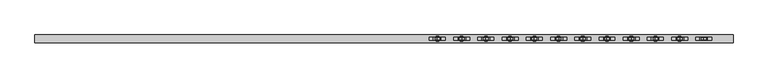
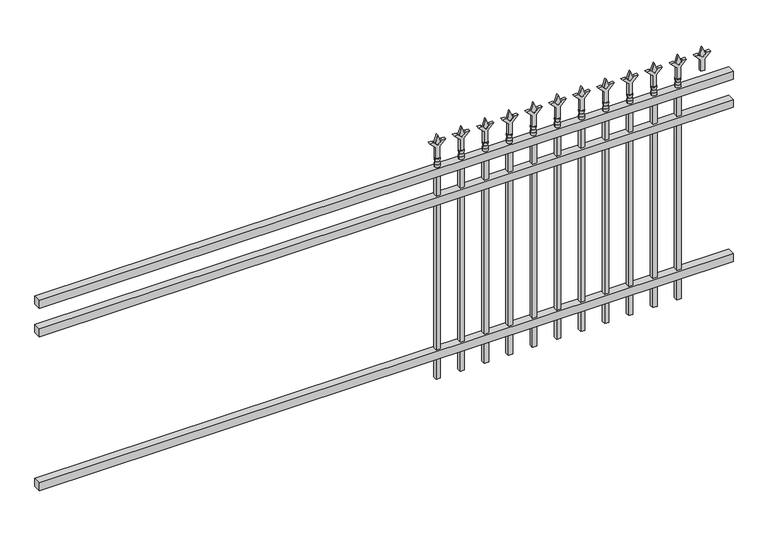
"""IFC4 building model written with IfcOpenShell, lengths in millimetres: railing geometry."""

from ifc_helpers import new_model, si_unit, frame, origin, place, context, project, spatial, polyline, circle_curve, outline, extrude, source, transform, mapped, element, save
from ifc_brep_helpers import plane_surface, cylinder_surface, revolved_surface, advanced_brep


def railing_7c6b006e(model_context):
    return source(origin(), model_context, "Body", "SolidModel", [
        extrude(outline(polyline([(-79633.318087, -652.7195174), (-79633.318087, -617.7945174), (-76483.718087, -617.7945174), (-76483.718087, -652.7195174), (-79633.318087, -652.7195174)])), frame((0.0, 0.0, 1028.7), z_axis=(0.0, 0.0, 1.0), x_axis=(1.0, 0.0, 0.0)), (0.0, 0.0, 1.0), 38.1),
        extrude(outline(polyline([(-79633.318087, -652.7195174), (-79633.318087, -617.7945174), (-76483.718087, -617.7945174), (-76483.718087, -652.7195174), (-79633.318087, -652.7195174)])), frame((0.0, 0.0, 892.175), z_axis=(0.0, 0.0, 1.0), x_axis=(1.0, 0.0, 0.0)), (0.0, 0.0, 1.0), 38.1),
        extrude(outline(polyline([(-79633.318087, -652.7195174), (-79633.318087, -617.7945174), (-76483.718087, -617.7945174), (-76483.718087, -652.7195174), (-79633.318087, -652.7195174)])), frame((0.0, 0.0, 152.4), z_axis=(0.0, 0.0, 1.0), x_axis=(1.0, 0.0, 0.0)), (0.0, 0.0, 1.0), 38.1),
        extrude(outline(polyline([(1183.48125, -76712.8472536), (1219.2, -76724.7535036), (1183.48125, -76736.6597536), (1171.575, -76724.7535036), (1183.48125, -76712.8472536)])), frame((0.0, -640.0195174, 0.0), z_axis=(0.0, 1.0, 0.0), x_axis=(0.0, 0.0, 1.0)), (0.0, 0.0, 1.0), 9.525),
        extrude(outline(polyline([(1108.075, -76716.0222536), (1162.3457378, -76716.0222536), (1189.5355122, -76688.8324791), (1189.5355122, -76706.7929914), (1171.575, -76724.7535036), (1189.5355122, -76742.7140159), (1189.5355122, -76760.6745281), (1162.3457378, -76733.4847536), (1108.075, -76733.4847536), (1108.075, -76716.0222536)])), frame((0.0, -641.6070174, 0.0), z_axis=(0.0, 1.0, 0.0), x_axis=(0.0, 0.0, 1.0)), (0.0, 0.0, 1.0), 12.7),
        advanced_brep(
        [(-76712.8472536, -635.2570174, 1079.5), (-76736.6597536, -635.2570174, 1079.5), (-76736.6597536, -635.2570174, 1066.8), (-76712.8472536, -635.2570174, 1066.8), (-76715.0525855, -635.2570174, 1092.0070585), (-76734.4544218, -635.2570174, 1092.0070585), (-76712.8472536, -635.2570174, 1108.075), (-76736.6597536, -635.2570174, 1108.075), (-76724.7535036, -635.2570174, 1108.075), (-76724.7535036, -635.2570174, 1066.8)],
        [
            (0, 1, circle_curve(frame((-76724.7535036, -635.2570174, 1079.5), z_axis=(0.0, 0.0, -1.0), x_axis=(-1.0, 0.0, 0.0)), 11.90625)),
            (1, 2),
            (2, 3, circle_curve(frame((-76724.7535036, -635.2570174, 1066.8), z_axis=(0.0, 0.0, 1.0), x_axis=(-1.0, 0.0, 0.0)), 11.90625)),
            (3, 0),
            (1, 0, circle_curve(frame((-76724.7535036, -635.2570174, 1079.5), z_axis=(0.0, 0.0, -1.0), x_axis=(-1.0, 0.0, 0.0)), 11.90625)),
            (3, 2, circle_curve(frame((-76724.7535036, -635.2570174, 1066.8), z_axis=(0.0, 0.0, 1.0), x_axis=(-1.0, 0.0, 0.0)), 11.90625)),
            (4, 5, circle_curve(frame((-76724.7535036, -635.2570174, 1092.0070585), z_axis=(0.0, 0.0, -1.0), x_axis=(-1.0, 0.0, 0.0)), 9.7009181)),
            (5, 1),
            (0, 4),
            (5, 4, circle_curve(frame((-76724.7535036, -635.2570174, 1092.0070585), z_axis=(0.0, 0.0, -1.0), x_axis=(-1.0, 0.0, 0.0)), 9.7009181)),
            (6, 7, circle_curve(frame((-76724.7535036, -635.2570174, 1108.075), z_axis=(0.0, 0.0, -1.0), x_axis=(-1.0, 0.0, 0.0)), 11.90625)),
            (7, 5),
            (4, 6),
            (7, 6, circle_curve(frame((-76724.7535036, -635.2570174, 1108.075), z_axis=(0.0, 0.0, -1.0), x_axis=(-1.0, 0.0, 0.0)), 11.90625)),
            (8, 7),
            (6, 8),
            (2, 9),
            (9, 3),
        ],
        [
            cylinder_surface(frame((-76724.7535036, -635.2570174, 1066.8), z_axis=(0.0, 0.0, 1.0), x_axis=(-1.0, 0.0, 0.0)), 11.90625),
            revolved_surface(polyline([(-76736.6597536, -635.2570174, 1079.5), (-76734.4544218, -635.2570174, 1092.0070585)]), (-76724.7535036, -635.2570174, 1066.8), (0.0, 0.0, 1.0)),
            revolved_surface(polyline([(-76734.4544218, -635.2570174, 1092.0070585), (-76736.6597536, -635.2570174, 1108.075)]), (-76724.7535036, -635.2570174, 1066.8), (0.0, 0.0, 1.0)),
            plane_surface(frame((-76724.7535036, -635.2570174, 1108.075), z_axis=(0.0, 0.0, 1.0), x_axis=(-1.0, 0.0, 0.0))),
            plane_surface(frame((-76724.7535036, -635.2570174, 1066.8), z_axis=(0.0, 0.0, -1.0), x_axis=(-1.0, 0.0, 0.0))),
        ],
        [
            (0, [[1, 2, 3, 4]]),
            (0, [[5, -4, 6, -2]]),
            (1, [[7, 8, -1, 9]]),
            (1, [[10, -9, -5, -8]]),
            (2, [[11, 12, -7, 13]]),
            (2, [[14, -13, -10, -12]]),
            (3, [[15, -11, 16]]),
            (3, [[-16, -14, -15]]),
            (4, [[-3, 17, 18]]),
            (4, [[-6, -18, -17]]),
        ],
    ),
        extrude(outline(polyline([(-76734.2785036, -625.7320174), (-76715.2285036, -625.7320174), (-76715.2285036, -644.7820174), (-76734.2785036, -644.7820174), (-76734.2785036, -625.7320174)])), frame((0.0, 0.0, 50.8), z_axis=(0.0, 0.0, 1.0), x_axis=(1.0, 0.0, 0.0)), (0.0, 0.0, 1.0), 1016.0),
        extrude(outline(polyline([(1183.48125, -76822.1201703), (1219.2, -76834.0264203), (1183.48125, -76845.9326703), (1171.575, -76834.0264203), (1183.48125, -76822.1201703)])), frame((0.0, -640.0195174, 0.0), z_axis=(0.0, 1.0, 0.0), x_axis=(0.0, 0.0, 1.0)), (0.0, 0.0, 1.0), 9.525),
        extrude(outline(polyline([(1108.075, -76825.2951703), (1162.3457378, -76825.2951703), (1189.5355122, -76798.1053958), (1189.5355122, -76816.0659081), (1171.575, -76834.0264203), (1189.5355122, -76851.9869325), (1189.5355122, -76869.9474448), (1162.3457378, -76842.7576703), (1108.075, -76842.7576703), (1108.075, -76825.2951703)])), frame((0.0, -641.6070174, 0.0), z_axis=(0.0, 1.0, 0.0), x_axis=(0.0, 0.0, 1.0)), (0.0, 0.0, 1.0), 12.7),
        advanced_brep(
        [(-76822.1201703, -635.2570174, 1079.5), (-76845.9326703, -635.2570174, 1079.5), (-76845.9326703, -635.2570174, 1066.8), (-76822.1201703, -635.2570174, 1066.8), (-76824.3255022, -635.2570174, 1092.0070585), (-76843.7273384, -635.2570174, 1092.0070585), (-76822.1201703, -635.2570174, 1108.075), (-76845.9326703, -635.2570174, 1108.075), (-76834.0264203, -635.2570174, 1108.075), (-76834.0264203, -635.2570174, 1066.8)],
        [
            (0, 1, circle_curve(frame((-76834.0264203, -635.2570174, 1079.5), z_axis=(0.0, 0.0, -1.0), x_axis=(-1.0, 0.0, 0.0)), 11.90625)),
            (1, 2),
            (2, 3, circle_curve(frame((-76834.0264203, -635.2570174, 1066.8), z_axis=(0.0, 0.0, 1.0), x_axis=(-1.0, 0.0, 0.0)), 11.90625)),
            (3, 0),
            (1, 0, circle_curve(frame((-76834.0264203, -635.2570174, 1079.5), z_axis=(0.0, 0.0, -1.0), x_axis=(-1.0, 0.0, 0.0)), 11.90625)),
            (3, 2, circle_curve(frame((-76834.0264203, -635.2570174, 1066.8), z_axis=(0.0, 0.0, 1.0), x_axis=(-1.0, 0.0, 0.0)), 11.90625)),
            (4, 5, circle_curve(frame((-76834.0264203, -635.2570174, 1092.0070585), z_axis=(0.0, 0.0, -1.0), x_axis=(-1.0, 0.0, 0.0)), 9.7009181)),
            (5, 1),
            (0, 4),
            (5, 4, circle_curve(frame((-76834.0264203, -635.2570174, 1092.0070585), z_axis=(0.0, 0.0, -1.0), x_axis=(-1.0, 0.0, 0.0)), 9.7009181)),
            (6, 7, circle_curve(frame((-76834.0264203, -635.2570174, 1108.075), z_axis=(0.0, 0.0, -1.0), x_axis=(-1.0, 0.0, 0.0)), 11.90625)),
            (7, 5),
            (4, 6),
            (7, 6, circle_curve(frame((-76834.0264203, -635.2570174, 1108.075), z_axis=(0.0, 0.0, -1.0), x_axis=(-1.0, 0.0, 0.0)), 11.90625)),
            (8, 7),
            (6, 8),
            (2, 9),
            (9, 3),
        ],
        [
            cylinder_surface(frame((-76834.0264203, -635.2570174, 1066.8), z_axis=(0.0, 0.0, 1.0), x_axis=(-1.0, 0.0, 0.0)), 11.90625),
            revolved_surface(polyline([(-76845.9326703, -635.2570174, 1079.5), (-76843.7273384, -635.2570174, 1092.0070585)]), (-76834.0264203, -635.2570174, 1066.8), (0.0, 0.0, 1.0)),
            revolved_surface(polyline([(-76843.7273384, -635.2570174, 1092.0070585), (-76845.9326703, -635.2570174, 1108.075)]), (-76834.0264203, -635.2570174, 1066.8), (0.0, 0.0, 1.0)),
            plane_surface(frame((-76834.0264203, -635.2570174, 1108.075), z_axis=(0.0, 0.0, 1.0), x_axis=(-1.0, 0.0, 0.0))),
            plane_surface(frame((-76834.0264203, -635.2570174, 1066.8), z_axis=(0.0, 0.0, -1.0), x_axis=(-1.0, 0.0, 0.0))),
        ],
        [
            (0, [[1, 2, 3, 4]]),
            (0, [[5, -4, 6, -2]]),
            (1, [[7, 8, -1, 9]]),
            (1, [[10, -9, -5, -8]]),
            (2, [[11, 12, -7, 13]]),
            (2, [[14, -13, -10, -12]]),
            (3, [[15, -11, 16]]),
            (3, [[-16, -14, -15]]),
            (4, [[-3, 17, 18]]),
            (4, [[-6, -18, -17]]),
        ],
    ),
        extrude(outline(polyline([(-76843.5514203, -625.7320174), (-76824.5014203, -625.7320174), (-76824.5014203, -644.7820174), (-76843.5514203, -644.7820174), (-76843.5514203, -625.7320174)])), frame((0.0, 0.0, 50.8), z_axis=(0.0, 0.0, 1.0), x_axis=(1.0, 0.0, 0.0)), (0.0, 0.0, 1.0), 1016.0),
        extrude(outline(polyline([(1183.48125, -76931.393087), (1219.2, -76943.299337), (1183.48125, -76955.205587), (1171.575, -76943.299337), (1183.48125, -76931.393087)])), frame((0.0, -640.0195174, 0.0), z_axis=(0.0, 1.0, 0.0), x_axis=(0.0, 0.0, 1.0)), (0.0, 0.0, 1.0), 9.525),
        extrude(outline(polyline([(1108.075, -76934.568087), (1162.3457378, -76934.568087), (1189.5355122, -76907.3783125), (1189.5355122, -76925.3388247), (1171.575, -76943.299337), (1189.5355122, -76961.2598492), (1189.5355122, -76979.2203614), (1162.3457378, -76952.030587), (1108.075, -76952.030587), (1108.075, -76934.568087)])), frame((0.0, -641.6070174, 0.0), z_axis=(0.0, 1.0, 0.0), x_axis=(0.0, 0.0, 1.0)), (0.0, 0.0, 1.0), 12.7),
        advanced_brep(
        [(-76931.393087, -635.2570174, 1079.5), (-76955.205587, -635.2570174, 1079.5), (-76955.205587, -635.2570174, 1066.8), (-76931.393087, -635.2570174, 1066.8), (-76933.5984188, -635.2570174, 1092.0070585), (-76953.0002551, -635.2570174, 1092.0070585), (-76931.393087, -635.2570174, 1108.075), (-76955.205587, -635.2570174, 1108.075), (-76943.299337, -635.2570174, 1108.075), (-76943.299337, -635.2570174, 1066.8)],
        [
            (0, 1, circle_curve(frame((-76943.299337, -635.2570174, 1079.5), z_axis=(0.0, 0.0, -1.0), x_axis=(-1.0, 0.0, 0.0)), 11.90625)),
            (1, 2),
            (2, 3, circle_curve(frame((-76943.299337, -635.2570174, 1066.8), z_axis=(0.0, 0.0, 1.0), x_axis=(-1.0, 0.0, 0.0)), 11.90625)),
            (3, 0),
            (1, 0, circle_curve(frame((-76943.299337, -635.2570174, 1079.5), z_axis=(0.0, 0.0, -1.0), x_axis=(-1.0, 0.0, 0.0)), 11.90625)),
            (3, 2, circle_curve(frame((-76943.299337, -635.2570174, 1066.8), z_axis=(0.0, 0.0, 1.0), x_axis=(-1.0, 0.0, 0.0)), 11.90625)),
            (4, 5, circle_curve(frame((-76943.299337, -635.2570174, 1092.0070585), z_axis=(0.0, 0.0, -1.0), x_axis=(-1.0, 0.0, 0.0)), 9.7009181)),
            (5, 1),
            (0, 4),
            (5, 4, circle_curve(frame((-76943.299337, -635.2570174, 1092.0070585), z_axis=(0.0, 0.0, -1.0), x_axis=(-1.0, 0.0, 0.0)), 9.7009181)),
            (6, 7, circle_curve(frame((-76943.299337, -635.2570174, 1108.075), z_axis=(0.0, 0.0, -1.0), x_axis=(-1.0, 0.0, 0.0)), 11.90625)),
            (7, 5),
            (4, 6),
            (7, 6, circle_curve(frame((-76943.299337, -635.2570174, 1108.075), z_axis=(0.0, 0.0, -1.0), x_axis=(-1.0, 0.0, 0.0)), 11.90625)),
            (8, 7),
            (6, 8),
            (2, 9),
            (9, 3),
        ],
        [
            cylinder_surface(frame((-76943.299337, -635.2570174, 1066.8), z_axis=(0.0, 0.0, 1.0), x_axis=(-1.0, 0.0, 0.0)), 11.90625),
            revolved_surface(polyline([(-76955.205587, -635.2570174, 1079.5), (-76953.0002551, -635.2570174, 1092.0070585)]), (-76943.299337, -635.2570174, 1066.8), (0.0, 0.0, 1.0)),
            revolved_surface(polyline([(-76953.0002551, -635.2570174, 1092.0070585), (-76955.205587, -635.2570174, 1108.075)]), (-76943.299337, -635.2570174, 1066.8), (0.0, 0.0, 1.0)),
            plane_surface(frame((-76943.299337, -635.2570174, 1108.075), z_axis=(0.0, 0.0, 1.0), x_axis=(-1.0, 0.0, 0.0))),
            plane_surface(frame((-76943.299337, -635.2570174, 1066.8), z_axis=(0.0, 0.0, -1.0), x_axis=(-1.0, 0.0, 0.0))),
        ],
        [
            (0, [[1, 2, 3, 4]]),
            (0, [[5, -4, 6, -2]]),
            (1, [[7, 8, -1, 9]]),
            (1, [[10, -9, -5, -8]]),
            (2, [[11, 12, -7, 13]]),
            (2, [[14, -13, -10, -12]]),
            (3, [[15, -11, 16]]),
            (3, [[-16, -14, -15]]),
            (4, [[-3, 17, 18]]),
            (4, [[-6, -18, -17]]),
        ],
    ),
        extrude(outline(polyline([(-76952.824337, -625.7320174), (-76933.774337, -625.7320174), (-76933.774337, -644.7820174), (-76952.824337, -644.7820174), (-76952.824337, -625.7320174)])), frame((0.0, 0.0, 50.8), z_axis=(0.0, 0.0, 1.0), x_axis=(1.0, 0.0, 0.0)), (0.0, 0.0, 1.0), 1016.0),
        extrude(outline(polyline([(1183.48125, -77040.6660036), (1219.2, -77052.5722536), (1183.48125, -77064.4785036), (1171.575, -77052.5722536), (1183.48125, -77040.6660036)])), frame((0.0, -640.0195174, 0.0), z_axis=(0.0, 1.0, 0.0), x_axis=(0.0, 0.0, 1.0)), (0.0, 0.0, 1.0), 9.525),
        extrude(outline(polyline([(1108.075, -77043.8410036), (1162.3457378, -77043.8410036), (1189.5355122, -77016.6512291), (1189.5355122, -77034.6117414), (1171.575, -77052.5722536), (1189.5355122, -77070.5327659), (1189.5355122, -77088.4932781), (1162.3457378, -77061.3035036), (1108.075, -77061.3035036), (1108.075, -77043.8410036)])), frame((0.0, -641.6070174, 0.0), z_axis=(0.0, 1.0, 0.0), x_axis=(0.0, 0.0, 1.0)), (0.0, 0.0, 1.0), 12.7),
        advanced_brep(
        [(-77040.6660036, -635.2570174, 1079.5), (-77064.4785036, -635.2570174, 1079.5), (-77064.4785036, -635.2570174, 1066.8), (-77040.6660036, -635.2570174, 1066.8), (-77042.8713355, -635.2570174, 1092.0070585), (-77062.2731718, -635.2570174, 1092.0070585), (-77040.6660036, -635.2570174, 1108.075), (-77064.4785036, -635.2570174, 1108.075), (-77052.5722536, -635.2570174, 1108.075), (-77052.5722536, -635.2570174, 1066.8)],
        [
            (0, 1, circle_curve(frame((-77052.5722536, -635.2570174, 1079.5), z_axis=(0.0, 0.0, -1.0), x_axis=(-1.0, 0.0, 0.0)), 11.90625)),
            (1, 2),
            (2, 3, circle_curve(frame((-77052.5722536, -635.2570174, 1066.8), z_axis=(0.0, 0.0, 1.0), x_axis=(-1.0, 0.0, 0.0)), 11.90625)),
            (3, 0),
            (1, 0, circle_curve(frame((-77052.5722536, -635.2570174, 1079.5), z_axis=(0.0, 0.0, -1.0), x_axis=(-1.0, 0.0, 0.0)), 11.90625)),
            (3, 2, circle_curve(frame((-77052.5722536, -635.2570174, 1066.8), z_axis=(0.0, 0.0, 1.0), x_axis=(-1.0, 0.0, 0.0)), 11.90625)),
            (4, 5, circle_curve(frame((-77052.5722536, -635.2570174, 1092.0070585), z_axis=(0.0, 0.0, -1.0), x_axis=(-1.0, 0.0, 0.0)), 9.7009181)),
            (5, 1),
            (0, 4),
            (5, 4, circle_curve(frame((-77052.5722536, -635.2570174, 1092.0070585), z_axis=(0.0, 0.0, -1.0), x_axis=(-1.0, 0.0, 0.0)), 9.7009181)),
            (6, 7, circle_curve(frame((-77052.5722536, -635.2570174, 1108.075), z_axis=(0.0, 0.0, -1.0), x_axis=(-1.0, 0.0, 0.0)), 11.90625)),
            (7, 5),
            (4, 6),
            (7, 6, circle_curve(frame((-77052.5722536, -635.2570174, 1108.075), z_axis=(0.0, 0.0, -1.0), x_axis=(-1.0, 0.0, 0.0)), 11.90625)),
            (8, 7),
            (6, 8),
            (2, 9),
            (9, 3),
        ],
        [
            cylinder_surface(frame((-77052.5722536, -635.2570174, 1066.8), z_axis=(0.0, 0.0, 1.0), x_axis=(-1.0, 0.0, 0.0)), 11.90625),
            revolved_surface(polyline([(-77064.4785036, -635.2570174, 1079.5), (-77062.2731718, -635.2570174, 1092.0070585)]), (-77052.5722536, -635.2570174, 1066.8), (0.0, 0.0, 1.0)),
            revolved_surface(polyline([(-77062.2731718, -635.2570174, 1092.0070585), (-77064.4785036, -635.2570174, 1108.075)]), (-77052.5722536, -635.2570174, 1066.8), (0.0, 0.0, 1.0)),
            plane_surface(frame((-77052.5722536, -635.2570174, 1108.075), z_axis=(0.0, 0.0, 1.0), x_axis=(-1.0, 0.0, 0.0))),
            plane_surface(frame((-77052.5722536, -635.2570174, 1066.8), z_axis=(0.0, 0.0, -1.0), x_axis=(-1.0, 0.0, 0.0))),
        ],
        [
            (0, [[1, 2, 3, 4]]),
            (0, [[5, -4, 6, -2]]),
            (1, [[7, 8, -1, 9]]),
            (1, [[10, -9, -5, -8]]),
            (2, [[11, 12, -7, 13]]),
            (2, [[14, -13, -10, -12]]),
            (3, [[15, -11, 16]]),
            (3, [[-16, -14, -15]]),
            (4, [[-3, 17, 18]]),
            (4, [[-6, -18, -17]]),
        ],
    ),
        extrude(outline(polyline([(-77062.0972536, -625.7320174), (-77043.0472536, -625.7320174), (-77043.0472536, -644.7820174), (-77062.0972536, -644.7820174), (-77062.0972536, -625.7320174)])), frame((0.0, 0.0, 50.8), z_axis=(0.0, 0.0, 1.0), x_axis=(1.0, 0.0, 0.0)), (0.0, 0.0, 1.0), 1016.0),
        extrude(outline(polyline([(1183.48125, -77149.9389203), (1219.2, -77161.8451703), (1183.48125, -77173.7514203), (1171.575, -77161.8451703), (1183.48125, -77149.9389203)])), frame((0.0, -640.0195174, 0.0), z_axis=(0.0, 1.0, 0.0), x_axis=(0.0, 0.0, 1.0)), (0.0, 0.0, 1.0), 9.525),
        extrude(outline(polyline([(1108.075, -77153.1139203), (1162.3457378, -77153.1139203), (1189.5355122, -77125.9241458), (1189.5355122, -77143.8846581), (1171.575, -77161.8451703), (1189.5355122, -77179.8056825), (1189.5355122, -77197.7661948), (1162.3457378, -77170.5764203), (1108.075, -77170.5764203), (1108.075, -77153.1139203)])), frame((0.0, -641.6070174, 0.0), z_axis=(0.0, 1.0, 0.0), x_axis=(0.0, 0.0, 1.0)), (0.0, 0.0, 1.0), 12.7),
        advanced_brep(
        [(-77149.9389203, -635.2570174, 1079.5), (-77173.7514203, -635.2570174, 1079.5), (-77173.7514203, -635.2570174, 1066.8), (-77149.9389203, -635.2570174, 1066.8), (-77152.1442522, -635.2570174, 1092.0070585), (-77171.5460884, -635.2570174, 1092.0070585), (-77149.9389203, -635.2570174, 1108.075), (-77173.7514203, -635.2570174, 1108.075), (-77161.8451703, -635.2570174, 1108.075), (-77161.8451703, -635.2570174, 1066.8)],
        [
            (0, 1, circle_curve(frame((-77161.8451703, -635.2570174, 1079.5), z_axis=(0.0, 0.0, -1.0), x_axis=(-1.0, 0.0, 0.0)), 11.90625)),
            (1, 2),
            (2, 3, circle_curve(frame((-77161.8451703, -635.2570174, 1066.8), z_axis=(0.0, 0.0, 1.0), x_axis=(-1.0, 0.0, 0.0)), 11.90625)),
            (3, 0),
            (1, 0, circle_curve(frame((-77161.8451703, -635.2570174, 1079.5), z_axis=(0.0, 0.0, -1.0), x_axis=(-1.0, 0.0, 0.0)), 11.90625)),
            (3, 2, circle_curve(frame((-77161.8451703, -635.2570174, 1066.8), z_axis=(0.0, 0.0, 1.0), x_axis=(-1.0, 0.0, 0.0)), 11.90625)),
            (4, 5, circle_curve(frame((-77161.8451703, -635.2570174, 1092.0070585), z_axis=(0.0, 0.0, -1.0), x_axis=(-1.0, 0.0, 0.0)), 9.7009181)),
            (5, 1),
            (0, 4),
            (5, 4, circle_curve(frame((-77161.8451703, -635.2570174, 1092.0070585), z_axis=(0.0, 0.0, -1.0), x_axis=(-1.0, 0.0, 0.0)), 9.7009181)),
            (6, 7, circle_curve(frame((-77161.8451703, -635.2570174, 1108.075), z_axis=(0.0, 0.0, -1.0), x_axis=(-1.0, 0.0, 0.0)), 11.90625)),
            (7, 5),
            (4, 6),
            (7, 6, circle_curve(frame((-77161.8451703, -635.2570174, 1108.075), z_axis=(0.0, 0.0, -1.0), x_axis=(-1.0, 0.0, 0.0)), 11.90625)),
            (8, 7),
            (6, 8),
            (2, 9),
            (9, 3),
        ],
        [
            cylinder_surface(frame((-77161.8451703, -635.2570174, 1066.8), z_axis=(0.0, 0.0, 1.0), x_axis=(-1.0, 0.0, 0.0)), 11.90625),
            revolved_surface(polyline([(-77173.7514203, -635.2570174, 1079.5), (-77171.5460884, -635.2570174, 1092.0070585)]), (-77161.8451703, -635.2570174, 1066.8), (0.0, 0.0, 1.0)),
            revolved_surface(polyline([(-77171.5460884, -635.2570174, 1092.0070585), (-77173.7514203, -635.2570174, 1108.075)]), (-77161.8451703, -635.2570174, 1066.8), (0.0, 0.0, 1.0)),
            plane_surface(frame((-77161.8451703, -635.2570174, 1108.075), z_axis=(0.0, 0.0, 1.0), x_axis=(-1.0, 0.0, 0.0))),
            plane_surface(frame((-77161.8451703, -635.2570174, 1066.8), z_axis=(0.0, 0.0, -1.0), x_axis=(-1.0, 0.0, 0.0))),
        ],
        [
            (0, [[1, 2, 3, 4]]),
            (0, [[5, -4, 6, -2]]),
            (1, [[7, 8, -1, 9]]),
            (1, [[10, -9, -5, -8]]),
            (2, [[11, 12, -7, 13]]),
            (2, [[14, -13, -10, -12]]),
            (3, [[15, -11, 16]]),
            (3, [[-16, -14, -15]]),
            (4, [[-3, 17, 18]]),
            (4, [[-6, -18, -17]]),
        ],
    ),
        extrude(outline(polyline([(-77171.3701703, -625.7320174), (-77152.3201703, -625.7320174), (-77152.3201703, -644.7820174), (-77171.3701703, -644.7820174), (-77171.3701703, -625.7320174)])), frame((0.0, 0.0, 50.8), z_axis=(0.0, 0.0, 1.0), x_axis=(1.0, 0.0, 0.0)), (0.0, 0.0, 1.0), 1016.0),
        extrude(outline(polyline([(1183.48125, -77259.211837), (1219.2, -77271.118087), (1183.48125, -77283.024337), (1171.575, -77271.118087), (1183.48125, -77259.211837)])), frame((0.0, -640.0195174, 0.0), z_axis=(0.0, 1.0, 0.0), x_axis=(0.0, 0.0, 1.0)), (0.0, 0.0, 1.0), 9.525),
        extrude(outline(polyline([(1108.075, -77262.386837), (1162.3457378, -77262.386837), (1189.5355122, -77235.1970625), (1189.5355122, -77253.1575747), (1171.575, -77271.118087), (1189.5355122, -77289.0785992), (1189.5355122, -77307.0391114), (1162.3457378, -77279.849337), (1108.075, -77279.849337), (1108.075, -77262.386837)])), frame((0.0, -641.6070174, 0.0), z_axis=(0.0, 1.0, 0.0), x_axis=(0.0, 0.0, 1.0)), (0.0, 0.0, 1.0), 12.7),
        advanced_brep(
        [(-77259.211837, -635.2570174, 1079.5), (-77283.024337, -635.2570174, 1079.5), (-77283.024337, -635.2570174, 1066.8), (-77259.211837, -635.2570174, 1066.8), (-77261.4171688, -635.2570174, 1092.0070585), (-77280.8190051, -635.2570174, 1092.0070585), (-77259.211837, -635.2570174, 1108.075), (-77283.024337, -635.2570174, 1108.075), (-77271.118087, -635.2570174, 1108.075), (-77271.118087, -635.2570174, 1066.8)],
        [
            (0, 1, circle_curve(frame((-77271.118087, -635.2570174, 1079.5), z_axis=(0.0, 0.0, -1.0), x_axis=(-1.0, 0.0, 0.0)), 11.90625)),
            (1, 2),
            (2, 3, circle_curve(frame((-77271.118087, -635.2570174, 1066.8), z_axis=(0.0, 0.0, 1.0), x_axis=(-1.0, 0.0, 0.0)), 11.90625)),
            (3, 0),
            (1, 0, circle_curve(frame((-77271.118087, -635.2570174, 1079.5), z_axis=(0.0, 0.0, -1.0), x_axis=(-1.0, 0.0, 0.0)), 11.90625)),
            (3, 2, circle_curve(frame((-77271.118087, -635.2570174, 1066.8), z_axis=(0.0, 0.0, 1.0), x_axis=(-1.0, 0.0, 0.0)), 11.90625)),
            (4, 5, circle_curve(frame((-77271.118087, -635.2570174, 1092.0070585), z_axis=(0.0, 0.0, -1.0), x_axis=(-1.0, 0.0, 0.0)), 9.7009181)),
            (5, 1),
            (0, 4),
            (5, 4, circle_curve(frame((-77271.118087, -635.2570174, 1092.0070585), z_axis=(0.0, 0.0, -1.0), x_axis=(-1.0, 0.0, 0.0)), 9.7009181)),
            (6, 7, circle_curve(frame((-77271.118087, -635.2570174, 1108.075), z_axis=(0.0, 0.0, -1.0), x_axis=(-1.0, 0.0, 0.0)), 11.90625)),
            (7, 5),
            (4, 6),
            (7, 6, circle_curve(frame((-77271.118087, -635.2570174, 1108.075), z_axis=(0.0, 0.0, -1.0), x_axis=(-1.0, 0.0, 0.0)), 11.90625)),
            (8, 7),
            (6, 8),
            (2, 9),
            (9, 3),
        ],
        [
            cylinder_surface(frame((-77271.118087, -635.2570174, 1066.8), z_axis=(0.0, 0.0, 1.0), x_axis=(-1.0, 0.0, 0.0)), 11.90625),
            revolved_surface(polyline([(-77283.024337, -635.2570174, 1079.5), (-77280.8190051, -635.2570174, 1092.0070585)]), (-77271.118087, -635.2570174, 1066.8), (0.0, 0.0, 1.0)),
            revolved_surface(polyline([(-77280.8190051, -635.2570174, 1092.0070585), (-77283.024337, -635.2570174, 1108.075)]), (-77271.118087, -635.2570174, 1066.8), (0.0, 0.0, 1.0)),
            plane_surface(frame((-77271.118087, -635.2570174, 1108.075), z_axis=(0.0, 0.0, 1.0), x_axis=(-1.0, 0.0, 0.0))),
            plane_surface(frame((-77271.118087, -635.2570174, 1066.8), z_axis=(0.0, 0.0, -1.0), x_axis=(-1.0, 0.0, 0.0))),
        ],
        [
            (0, [[1, 2, 3, 4]]),
            (0, [[5, -4, 6, -2]]),
            (1, [[7, 8, -1, 9]]),
            (1, [[10, -9, -5, -8]]),
            (2, [[11, 12, -7, 13]]),
            (2, [[14, -13, -10, -12]]),
            (3, [[15, -11, 16]]),
            (3, [[-16, -14, -15]]),
            (4, [[-3, 17, 18]]),
            (4, [[-6, -18, -17]]),
        ],
    ),
        extrude(outline(polyline([(-77280.643087, -625.7320174), (-77261.593087, -625.7320174), (-77261.593087, -644.7820174), (-77280.643087, -644.7820174), (-77280.643087, -625.7320174)])), frame((0.0, 0.0, 50.8), z_axis=(0.0, 0.0, 1.0), x_axis=(1.0, 0.0, 0.0)), (0.0, 0.0, 1.0), 1016.0),
        extrude(outline(polyline([(1183.48125, -77368.4847536), (1219.2, -77380.3910036), (1183.48125, -77392.2972536), (1171.575, -77380.3910036), (1183.48125, -77368.4847536)])), frame((0.0, -640.0195174, 0.0), z_axis=(0.0, 1.0, 0.0), x_axis=(0.0, 0.0, 1.0)), (0.0, 0.0, 1.0), 9.525),
        extrude(outline(polyline([(1108.075, -77371.6597536), (1162.3457378, -77371.6597536), (1189.5355122, -77344.4699791), (1189.5355122, -77362.4304914), (1171.575, -77380.3910036), (1189.5355122, -77398.3515159), (1189.5355122, -77416.3120281), (1162.3457378, -77389.1222536), (1108.075, -77389.1222536), (1108.075, -77371.6597536)])), frame((0.0, -641.6070174, 0.0), z_axis=(0.0, 1.0, 0.0), x_axis=(0.0, 0.0, 1.0)), (0.0, 0.0, 1.0), 12.7),
        advanced_brep(
        [(-77368.4847536, -635.2570174, 1079.5), (-77392.2972536, -635.2570174, 1079.5), (-77392.2972536, -635.2570174, 1066.8), (-77368.4847536, -635.2570174, 1066.8), (-77370.6900855, -635.2570174, 1092.0070585), (-77390.0919218, -635.2570174, 1092.0070585), (-77368.4847536, -635.2570174, 1108.075), (-77392.2972536, -635.2570174, 1108.075), (-77380.3910036, -635.2570174, 1108.075), (-77380.3910036, -635.2570174, 1066.8)],
        [
            (0, 1, circle_curve(frame((-77380.3910036, -635.2570174, 1079.5), z_axis=(0.0, 0.0, -1.0), x_axis=(-1.0, 0.0, 0.0)), 11.90625)),
            (1, 2),
            (2, 3, circle_curve(frame((-77380.3910036, -635.2570174, 1066.8), z_axis=(0.0, 0.0, 1.0), x_axis=(-1.0, 0.0, 0.0)), 11.90625)),
            (3, 0),
            (1, 0, circle_curve(frame((-77380.3910036, -635.2570174, 1079.5), z_axis=(0.0, 0.0, -1.0), x_axis=(-1.0, 0.0, 0.0)), 11.90625)),
            (3, 2, circle_curve(frame((-77380.3910036, -635.2570174, 1066.8), z_axis=(0.0, 0.0, 1.0), x_axis=(-1.0, 0.0, 0.0)), 11.90625)),
            (4, 5, circle_curve(frame((-77380.3910036, -635.2570174, 1092.0070585), z_axis=(0.0, 0.0, -1.0), x_axis=(-1.0, 0.0, 0.0)), 9.7009181)),
            (5, 1),
            (0, 4),
            (5, 4, circle_curve(frame((-77380.3910036, -635.2570174, 1092.0070585), z_axis=(0.0, 0.0, -1.0), x_axis=(-1.0, 0.0, 0.0)), 9.7009181)),
            (6, 7, circle_curve(frame((-77380.3910036, -635.2570174, 1108.075), z_axis=(0.0, 0.0, -1.0), x_axis=(-1.0, 0.0, 0.0)), 11.90625)),
            (7, 5),
            (4, 6),
            (7, 6, circle_curve(frame((-77380.3910036, -635.2570174, 1108.075), z_axis=(0.0, 0.0, -1.0), x_axis=(-1.0, 0.0, 0.0)), 11.90625)),
            (8, 7),
            (6, 8),
            (2, 9),
            (9, 3),
        ],
        [
            cylinder_surface(frame((-77380.3910036, -635.2570174, 1066.8), z_axis=(0.0, 0.0, 1.0), x_axis=(-1.0, 0.0, 0.0)), 11.90625),
            revolved_surface(polyline([(-77392.2972536, -635.2570174, 1079.5), (-77390.0919218, -635.2570174, 1092.0070585)]), (-77380.3910036, -635.2570174, 1066.8), (0.0, 0.0, 1.0)),
            revolved_surface(polyline([(-77390.0919218, -635.2570174, 1092.0070585), (-77392.2972536, -635.2570174, 1108.075)]), (-77380.3910036, -635.2570174, 1066.8), (0.0, 0.0, 1.0)),
            plane_surface(frame((-77380.3910036, -635.2570174, 1108.075), z_axis=(0.0, 0.0, 1.0), x_axis=(-1.0, 0.0, 0.0))),
            plane_surface(frame((-77380.3910036, -635.2570174, 1066.8), z_axis=(0.0, 0.0, -1.0), x_axis=(-1.0, 0.0, 0.0))),
        ],
        [
            (0, [[1, 2, 3, 4]]),
            (0, [[5, -4, 6, -2]]),
            (1, [[7, 8, -1, 9]]),
            (1, [[10, -9, -5, -8]]),
            (2, [[11, 12, -7, 13]]),
            (2, [[14, -13, -10, -12]]),
            (3, [[15, -11, 16]]),
            (3, [[-16, -14, -15]]),
            (4, [[-3, 17, 18]]),
            (4, [[-6, -18, -17]]),
        ],
    ),
        extrude(outline(polyline([(-77389.9160036, -625.7320174), (-77370.8660036, -625.7320174), (-77370.8660036, -644.7820174), (-77389.9160036, -644.7820174), (-77389.9160036, -625.7320174)])), frame((0.0, 0.0, 50.8), z_axis=(0.0, 0.0, 1.0), x_axis=(1.0, 0.0, 0.0)), (0.0, 0.0, 1.0), 1016.0),
        extrude(outline(polyline([(1183.48125, -77477.7576703), (1219.2, -77489.6639203), (1183.48125, -77501.5701703), (1171.575, -77489.6639203), (1183.48125, -77477.7576703)])), frame((0.0, -640.0195174, 0.0), z_axis=(0.0, 1.0, 0.0), x_axis=(0.0, 0.0, 1.0)), (0.0, 0.0, 1.0), 9.525),
        extrude(outline(polyline([(1108.075, -77480.9326703), (1162.3457378, -77480.9326703), (1189.5355122, -77453.7428958), (1189.5355122, -77471.7034081), (1171.575, -77489.6639203), (1189.5355122, -77507.6244325), (1189.5355122, -77525.5849448), (1162.3457378, -77498.3951703), (1108.075, -77498.3951703), (1108.075, -77480.9326703)])), frame((0.0, -641.6070174, 0.0), z_axis=(0.0, 1.0, 0.0), x_axis=(0.0, 0.0, 1.0)), (0.0, 0.0, 1.0), 12.7),
        advanced_brep(
        [(-77477.7576703, -635.2570174, 1079.5), (-77501.5701703, -635.2570174, 1079.5), (-77501.5701703, -635.2570174, 1066.8), (-77477.7576703, -635.2570174, 1066.8), (-77479.9630022, -635.2570174, 1092.0070585), (-77499.3648384, -635.2570174, 1092.0070585), (-77477.7576703, -635.2570174, 1108.075), (-77501.5701703, -635.2570174, 1108.075), (-77489.6639203, -635.2570174, 1108.075), (-77489.6639203, -635.2570174, 1066.8)],
        [
            (0, 1, circle_curve(frame((-77489.6639203, -635.2570174, 1079.5), z_axis=(0.0, 0.0, -1.0), x_axis=(-1.0, 0.0, 0.0)), 11.90625)),
            (1, 2),
            (2, 3, circle_curve(frame((-77489.6639203, -635.2570174, 1066.8), z_axis=(0.0, 0.0, 1.0), x_axis=(-1.0, 0.0, 0.0)), 11.90625)),
            (3, 0),
            (1, 0, circle_curve(frame((-77489.6639203, -635.2570174, 1079.5), z_axis=(0.0, 0.0, -1.0), x_axis=(-1.0, 0.0, 0.0)), 11.90625)),
            (3, 2, circle_curve(frame((-77489.6639203, -635.2570174, 1066.8), z_axis=(0.0, 0.0, 1.0), x_axis=(-1.0, 0.0, 0.0)), 11.90625)),
            (4, 5, circle_curve(frame((-77489.6639203, -635.2570174, 1092.0070585), z_axis=(0.0, 0.0, -1.0), x_axis=(-1.0, 0.0, 0.0)), 9.7009181)),
            (5, 1),
            (0, 4),
            (5, 4, circle_curve(frame((-77489.6639203, -635.2570174, 1092.0070585), z_axis=(0.0, 0.0, -1.0), x_axis=(-1.0, 0.0, 0.0)), 9.7009181)),
            (6, 7, circle_curve(frame((-77489.6639203, -635.2570174, 1108.075), z_axis=(0.0, 0.0, -1.0), x_axis=(-1.0, 0.0, 0.0)), 11.90625)),
            (7, 5),
            (4, 6),
            (7, 6, circle_curve(frame((-77489.6639203, -635.2570174, 1108.075), z_axis=(0.0, 0.0, -1.0), x_axis=(-1.0, 0.0, 0.0)), 11.90625)),
            (8, 7),
            (6, 8),
            (2, 9),
            (9, 3),
        ],
        [
            cylinder_surface(frame((-77489.6639203, -635.2570174, 1066.8), z_axis=(0.0, 0.0, 1.0), x_axis=(-1.0, 0.0, 0.0)), 11.90625),
            revolved_surface(polyline([(-77501.5701703, -635.2570174, 1079.5), (-77499.3648384, -635.2570174, 1092.0070585)]), (-77489.6639203, -635.2570174, 1066.8), (0.0, 0.0, 1.0)),
            revolved_surface(polyline([(-77499.3648384, -635.2570174, 1092.0070585), (-77501.5701703, -635.2570174, 1108.075)]), (-77489.6639203, -635.2570174, 1066.8), (0.0, 0.0, 1.0)),
            plane_surface(frame((-77489.6639203, -635.2570174, 1108.075), z_axis=(0.0, 0.0, 1.0), x_axis=(-1.0, 0.0, 0.0))),
            plane_surface(frame((-77489.6639203, -635.2570174, 1066.8), z_axis=(0.0, 0.0, -1.0), x_axis=(-1.0, 0.0, 0.0))),
        ],
        [
            (0, [[1, 2, 3, 4]]),
            (0, [[5, -4, 6, -2]]),
            (1, [[7, 8, -1, 9]]),
            (1, [[10, -9, -5, -8]]),
            (2, [[11, 12, -7, 13]]),
            (2, [[14, -13, -10, -12]]),
            (3, [[15, -11, 16]]),
            (3, [[-16, -14, -15]]),
            (4, [[-3, 17, 18]]),
            (4, [[-6, -18, -17]]),
        ],
    ),
        extrude(outline(polyline([(-77499.1889203, -625.7320174), (-77480.1389203, -625.7320174), (-77480.1389203, -644.7820174), (-77499.1889203, -644.7820174), (-77499.1889203, -625.7320174)])), frame((0.0, 0.0, 50.8), z_axis=(0.0, 0.0, 1.0), x_axis=(1.0, 0.0, 0.0)), (0.0, 0.0, 1.0), 1016.0),
        extrude(outline(polyline([(1183.48125, -77587.030587), (1219.2, -77598.936837), (1183.48125, -77610.843087), (1171.575, -77598.936837), (1183.48125, -77587.030587)])), frame((0.0, -640.0195174, 0.0), z_axis=(0.0, 1.0, 0.0), x_axis=(0.0, 0.0, 1.0)), (0.0, 0.0, 1.0), 9.525),
        extrude(outline(polyline([(1108.075, -77590.205587), (1162.3457378, -77590.205587), (1189.5355122, -77563.0158125), (1189.5355122, -77580.9763247), (1171.575, -77598.936837), (1189.5355122, -77616.8973492), (1189.5355122, -77634.8578614), (1162.3457378, -77607.668087), (1108.075, -77607.668087), (1108.075, -77590.205587)])), frame((0.0, -641.6070174, 0.0), z_axis=(0.0, 1.0, 0.0), x_axis=(0.0, 0.0, 1.0)), (0.0, 0.0, 1.0), 12.7),
        advanced_brep(
        [(-77587.030587, -635.2570174, 1079.5), (-77610.843087, -635.2570174, 1079.5), (-77610.843087, -635.2570174, 1066.8), (-77587.030587, -635.2570174, 1066.8), (-77589.2359188, -635.2570174, 1092.0070585), (-77608.6377551, -635.2570174, 1092.0070585), (-77587.030587, -635.2570174, 1108.075), (-77610.843087, -635.2570174, 1108.075), (-77598.936837, -635.2570174, 1108.075), (-77598.936837, -635.2570174, 1066.8)],
        [
            (0, 1, circle_curve(frame((-77598.936837, -635.2570174, 1079.5), z_axis=(0.0, 0.0, -1.0), x_axis=(-1.0, 0.0, 0.0)), 11.90625)),
            (1, 2),
            (2, 3, circle_curve(frame((-77598.936837, -635.2570174, 1066.8), z_axis=(0.0, 0.0, 1.0), x_axis=(-1.0, 0.0, 0.0)), 11.90625)),
            (3, 0),
            (1, 0, circle_curve(frame((-77598.936837, -635.2570174, 1079.5), z_axis=(0.0, 0.0, -1.0), x_axis=(-1.0, 0.0, 0.0)), 11.90625)),
            (3, 2, circle_curve(frame((-77598.936837, -635.2570174, 1066.8), z_axis=(0.0, 0.0, 1.0), x_axis=(-1.0, 0.0, 0.0)), 11.90625)),
            (4, 5, circle_curve(frame((-77598.936837, -635.2570174, 1092.0070585), z_axis=(0.0, 0.0, -1.0), x_axis=(-1.0, 0.0, 0.0)), 9.7009181)),
            (5, 1),
            (0, 4),
            (5, 4, circle_curve(frame((-77598.936837, -635.2570174, 1092.0070585), z_axis=(0.0, 0.0, -1.0), x_axis=(-1.0, 0.0, 0.0)), 9.7009181)),
            (6, 7, circle_curve(frame((-77598.936837, -635.2570174, 1108.075), z_axis=(0.0, 0.0, -1.0), x_axis=(-1.0, 0.0, 0.0)), 11.90625)),
            (7, 5),
            (4, 6),
            (7, 6, circle_curve(frame((-77598.936837, -635.2570174, 1108.075), z_axis=(0.0, 0.0, -1.0), x_axis=(-1.0, 0.0, 0.0)), 11.90625)),
            (8, 7),
            (6, 8),
            (2, 9),
            (9, 3),
        ],
        [
            cylinder_surface(frame((-77598.936837, -635.2570174, 1066.8), z_axis=(0.0, 0.0, 1.0), x_axis=(-1.0, 0.0, 0.0)), 11.90625),
            revolved_surface(polyline([(-77610.843087, -635.2570174, 1079.5), (-77608.6377551, -635.2570174, 1092.0070585)]), (-77598.936837, -635.2570174, 1066.8), (0.0, 0.0, 1.0)),
            revolved_surface(polyline([(-77608.6377551, -635.2570174, 1092.0070585), (-77610.843087, -635.2570174, 1108.075)]), (-77598.936837, -635.2570174, 1066.8), (0.0, 0.0, 1.0)),
            plane_surface(frame((-77598.936837, -635.2570174, 1108.075), z_axis=(0.0, 0.0, 1.0), x_axis=(-1.0, 0.0, 0.0))),
            plane_surface(frame((-77598.936837, -635.2570174, 1066.8), z_axis=(0.0, 0.0, -1.0), x_axis=(-1.0, 0.0, 0.0))),
        ],
        [
            (0, [[1, 2, 3, 4]]),
            (0, [[5, -4, 6, -2]]),
            (1, [[7, 8, -1, 9]]),
            (1, [[10, -9, -5, -8]]),
            (2, [[11, 12, -7, 13]]),
            (2, [[14, -13, -10, -12]]),
            (3, [[15, -11, 16]]),
            (3, [[-16, -14, -15]]),
            (4, [[-3, 17, 18]]),
            (4, [[-6, -18, -17]]),
        ],
    ),
        extrude(outline(polyline([(-77608.461837, -625.7320174), (-77589.411837, -625.7320174), (-77589.411837, -644.7820174), (-77608.461837, -644.7820174), (-77608.461837, -625.7320174)])), frame((0.0, 0.0, 50.8), z_axis=(0.0, 0.0, 1.0), x_axis=(1.0, 0.0, 0.0)), (0.0, 0.0, 1.0), 1016.0),
        extrude(outline(polyline([(1183.48125, -77696.3035036), (1219.2, -77708.2097536), (1183.48125, -77720.1160036), (1171.575, -77708.2097536), (1183.48125, -77696.3035036)])), frame((0.0, -640.0195174, 0.0), z_axis=(0.0, 1.0, 0.0), x_axis=(0.0, 0.0, 1.0)), (0.0, 0.0, 1.0), 9.525),
        extrude(outline(polyline([(1108.075, -77699.4785036), (1162.3457378, -77699.4785036), (1189.5355122, -77672.2887291), (1189.5355122, -77690.2492414), (1171.575, -77708.2097536), (1189.5355122, -77726.1702659), (1189.5355122, -77744.1307781), (1162.3457378, -77716.9410036), (1108.075, -77716.9410036), (1108.075, -77699.4785036)])), frame((0.0, -641.6070174, 0.0), z_axis=(0.0, 1.0, 0.0), x_axis=(0.0, 0.0, 1.0)), (0.0, 0.0, 1.0), 12.7),
        advanced_brep(
        [(-77696.3035036, -635.2570174, 1079.5), (-77720.1160036, -635.2570174, 1079.5), (-77720.1160036, -635.2570174, 1066.8), (-77696.3035036, -635.2570174, 1066.8), (-77698.5088355, -635.2570174, 1092.0070585), (-77717.9106718, -635.2570174, 1092.0070585), (-77696.3035036, -635.2570174, 1108.075), (-77720.1160036, -635.2570174, 1108.075), (-77708.2097536, -635.2570174, 1108.075), (-77708.2097536, -635.2570174, 1066.8)],
        [
            (0, 1, circle_curve(frame((-77708.2097536, -635.2570174, 1079.5), z_axis=(0.0, 0.0, -1.0), x_axis=(-1.0, 0.0, 0.0)), 11.90625)),
            (1, 2),
            (2, 3, circle_curve(frame((-77708.2097536, -635.2570174, 1066.8), z_axis=(0.0, 0.0, 1.0), x_axis=(-1.0, 0.0, 0.0)), 11.90625)),
            (3, 0),
            (1, 0, circle_curve(frame((-77708.2097536, -635.2570174, 1079.5), z_axis=(0.0, 0.0, -1.0), x_axis=(-1.0, 0.0, 0.0)), 11.90625)),
            (3, 2, circle_curve(frame((-77708.2097536, -635.2570174, 1066.8), z_axis=(0.0, 0.0, 1.0), x_axis=(-1.0, 0.0, 0.0)), 11.90625)),
            (4, 5, circle_curve(frame((-77708.2097536, -635.2570174, 1092.0070585), z_axis=(0.0, 0.0, -1.0), x_axis=(-1.0, 0.0, 0.0)), 9.7009181)),
            (5, 1),
            (0, 4),
            (5, 4, circle_curve(frame((-77708.2097536, -635.2570174, 1092.0070585), z_axis=(0.0, 0.0, -1.0), x_axis=(-1.0, 0.0, 0.0)), 9.7009181)),
            (6, 7, circle_curve(frame((-77708.2097536, -635.2570174, 1108.075), z_axis=(0.0, 0.0, -1.0), x_axis=(-1.0, 0.0, 0.0)), 11.90625)),
            (7, 5),
            (4, 6),
            (7, 6, circle_curve(frame((-77708.2097536, -635.2570174, 1108.075), z_axis=(0.0, 0.0, -1.0), x_axis=(-1.0, 0.0, 0.0)), 11.90625)),
            (8, 7),
            (6, 8),
            (2, 9),
            (9, 3),
        ],
        [
            cylinder_surface(frame((-77708.2097536, -635.2570174, 1066.8), z_axis=(0.0, 0.0, 1.0), x_axis=(-1.0, 0.0, 0.0)), 11.90625),
            revolved_surface(polyline([(-77720.1160036, -635.2570174, 1079.5), (-77717.9106718, -635.2570174, 1092.0070585)]), (-77708.2097536, -635.2570174, 1066.8), (0.0, 0.0, 1.0)),
            revolved_surface(polyline([(-77717.9106718, -635.2570174, 1092.0070585), (-77720.1160036, -635.2570174, 1108.075)]), (-77708.2097536, -635.2570174, 1066.8), (0.0, 0.0, 1.0)),
            plane_surface(frame((-77708.2097536, -635.2570174, 1108.075), z_axis=(0.0, 0.0, 1.0), x_axis=(-1.0, 0.0, 0.0))),
            plane_surface(frame((-77708.2097536, -635.2570174, 1066.8), z_axis=(0.0, 0.0, -1.0), x_axis=(-1.0, 0.0, 0.0))),
        ],
        [
            (0, [[1, 2, 3, 4]]),
            (0, [[5, -4, 6, -2]]),
            (1, [[7, 8, -1, 9]]),
            (1, [[10, -9, -5, -8]]),
            (2, [[11, 12, -7, 13]]),
            (2, [[14, -13, -10, -12]]),
            (3, [[15, -11, 16]]),
            (3, [[-16, -14, -15]]),
            (4, [[-3, 17, 18]]),
            (4, [[-6, -18, -17]]),
        ],
    ),
        extrude(outline(polyline([(-77717.7347536, -625.7320174), (-77698.6847536, -625.7320174), (-77698.6847536, -644.7820174), (-77717.7347536, -644.7820174), (-77717.7347536, -625.7320174)])), frame((0.0, 0.0, 50.8), z_axis=(0.0, 0.0, 1.0), x_axis=(1.0, 0.0, 0.0)), (0.0, 0.0, 1.0), 1016.0),
        extrude(outline(polyline([(1183.48125, -77805.5764203), (1219.2, -77817.4826703), (1183.48125, -77829.3889203), (1171.575, -77817.4826703), (1183.48125, -77805.5764203)])), frame((0.0, -640.0195174, 0.0), z_axis=(0.0, 1.0, 0.0), x_axis=(0.0, 0.0, 1.0)), (0.0, 0.0, 1.0), 9.525),
        extrude(outline(polyline([(1108.075, -77808.7514203), (1162.3457378, -77808.7514203), (1189.5355122, -77781.5616458), (1189.5355122, -77799.5221581), (1171.575, -77817.4826703), (1189.5355122, -77835.4431825), (1189.5355122, -77853.4036948), (1162.3457378, -77826.2139203), (1108.075, -77826.2139203), (1108.075, -77808.7514203)])), frame((0.0, -641.6070174, 0.0), z_axis=(0.0, 1.0, 0.0), x_axis=(0.0, 0.0, 1.0)), (0.0, 0.0, 1.0), 12.7),
        advanced_brep(
        [(-77805.5764203, -635.2570174, 1079.5), (-77829.3889203, -635.2570174, 1079.5), (-77829.3889203, -635.2570174, 1066.8), (-77805.5764203, -635.2570174, 1066.8), (-77807.7817522, -635.2570174, 1092.0070585), (-77827.1835884, -635.2570174, 1092.0070585), (-77805.5764203, -635.2570174, 1108.075), (-77829.3889203, -635.2570174, 1108.075), (-77817.4826703, -635.2570174, 1108.075), (-77817.4826703, -635.2570174, 1066.8)],
        [
            (0, 1, circle_curve(frame((-77817.4826703, -635.2570174, 1079.5), z_axis=(0.0, 0.0, -1.0), x_axis=(-1.0, 0.0, 0.0)), 11.90625)),
            (1, 2),
            (2, 3, circle_curve(frame((-77817.4826703, -635.2570174, 1066.8), z_axis=(0.0, 0.0, 1.0), x_axis=(-1.0, 0.0, 0.0)), 11.90625)),
            (3, 0),
            (1, 0, circle_curve(frame((-77817.4826703, -635.2570174, 1079.5), z_axis=(0.0, 0.0, -1.0), x_axis=(-1.0, 0.0, 0.0)), 11.90625)),
            (3, 2, circle_curve(frame((-77817.4826703, -635.2570174, 1066.8), z_axis=(0.0, 0.0, 1.0), x_axis=(-1.0, 0.0, 0.0)), 11.90625)),
            (4, 5, circle_curve(frame((-77817.4826703, -635.2570174, 1092.0070585), z_axis=(0.0, 0.0, -1.0), x_axis=(-1.0, 0.0, 0.0)), 9.7009181)),
            (5, 1),
            (0, 4),
            (5, 4, circle_curve(frame((-77817.4826703, -635.2570174, 1092.0070585), z_axis=(0.0, 0.0, -1.0), x_axis=(-1.0, 0.0, 0.0)), 9.7009181)),
            (6, 7, circle_curve(frame((-77817.4826703, -635.2570174, 1108.075), z_axis=(0.0, 0.0, -1.0), x_axis=(-1.0, 0.0, 0.0)), 11.90625)),
            (7, 5),
            (4, 6),
            (7, 6, circle_curve(frame((-77817.4826703, -635.2570174, 1108.075), z_axis=(0.0, 0.0, -1.0), x_axis=(-1.0, 0.0, 0.0)), 11.90625)),
            (8, 7),
            (6, 8),
            (2, 9),
            (9, 3),
        ],
        [
            cylinder_surface(frame((-77817.4826703, -635.2570174, 1066.8), z_axis=(0.0, 0.0, 1.0), x_axis=(-1.0, 0.0, 0.0)), 11.90625),
            revolved_surface(polyline([(-77829.3889203, -635.2570174, 1079.5), (-77827.1835884, -635.2570174, 1092.0070585)]), (-77817.4826703, -635.2570174, 1066.8), (0.0, 0.0, 1.0)),
            revolved_surface(polyline([(-77827.1835884, -635.2570174, 1092.0070585), (-77829.3889203, -635.2570174, 1108.075)]), (-77817.4826703, -635.2570174, 1066.8), (0.0, 0.0, 1.0)),
            plane_surface(frame((-77817.4826703, -635.2570174, 1108.075), z_axis=(0.0, 0.0, 1.0), x_axis=(-1.0, 0.0, 0.0))),
            plane_surface(frame((-77817.4826703, -635.2570174, 1066.8), z_axis=(0.0, 0.0, -1.0), x_axis=(-1.0, 0.0, 0.0))),
        ],
        [
            (0, [[1, 2, 3, 4]]),
            (0, [[5, -4, 6, -2]]),
            (1, [[7, 8, -1, 9]]),
            (1, [[10, -9, -5, -8]]),
            (2, [[11, 12, -7, 13]]),
            (2, [[14, -13, -10, -12]]),
            (3, [[15, -11, 16]]),
            (3, [[-16, -14, -15]]),
            (4, [[-3, 17, 18]]),
            (4, [[-6, -18, -17]]),
        ],
    ),
        extrude(outline(polyline([(-77827.0076703, -625.7320174), (-77807.9576703, -625.7320174), (-77807.9576703, -644.7820174), (-77827.0076703, -644.7820174), (-77827.0076703, -625.7320174)])), frame((0.0, 0.0, 50.8), z_axis=(0.0, 0.0, 1.0), x_axis=(1.0, 0.0, 0.0)), (0.0, 0.0, 1.0), 1016.0),
        extrude(outline(polyline([(1183.48125, -76603.574337), (1219.2, -76615.480587), (1183.48125, -76627.386837), (1171.575, -76615.480587), (1183.48125, -76603.574337)])), frame((0.0, -640.0195174, 0.0), z_axis=(0.0, 1.0, 0.0), x_axis=(0.0, 0.0, 1.0)), (0.0, 0.0, 1.0), 9.525),
        extrude(outline(polyline([(1108.075, -76606.749337), (1162.3457378, -76606.749337), (1189.5355122, -76579.5595625), (1189.5355122, -76597.5200747), (1171.575, -76615.480587), (1189.5355122, -76633.4410992), (1189.5355122, -76651.4016114), (1162.3457378, -76624.211837), (1108.075, -76624.211837), (1108.075, -76606.749337)])), frame((0.0, -641.6070174, 0.0), z_axis=(0.0, 1.0, 0.0), x_axis=(0.0, 0.0, 1.0)), (0.0, 0.0, 1.0), 12.7),
    ])


if __name__ == "__main__":
    model = new_model("IFC4")
    model_context = context("Model", 3, world=origin())
    ifc_project = project(units=[si_unit("LENGTHUNIT", "METRE", prefix="MILLI")], contexts=[model_context])
    site = spatial("IfcSite", under=ifc_project)
    building = spatial("IfcBuilding", under=site)
    placement = place(None, origin())
    railing_shape = railing_7c6b006e(model_context)
    element("IfcRailing", 1, at=placement, inside=building, context=model_context, shape_type="MappedRepresentation", body=[
        mapped(railing_shape, transform((0.0, 0.0, 0.0), x_axis=(1.0, 0.0, 0.0), y_axis=(0.0, 1.0, 0.0), z_axis=(0.0, 0.0, 1.0))),
    ])
    save(model, "model.ifc")
